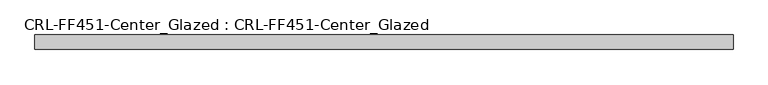
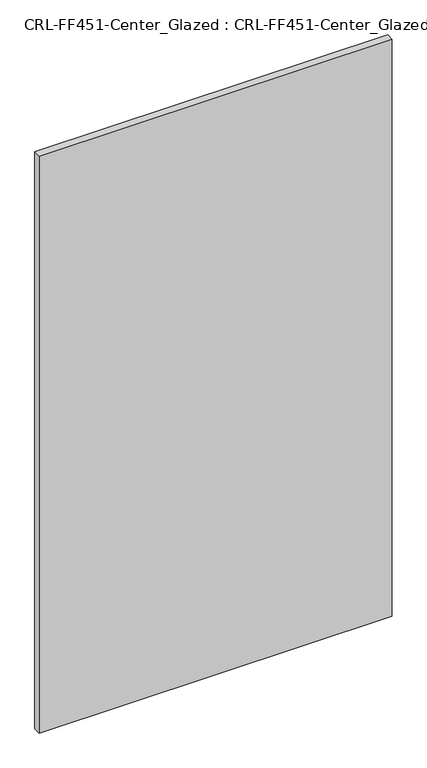
"""IFC4 building model written with IfcOpenShell, lengths in millimetres: plate geometry, CRL-FF451-Center_Glazed : CRL-FF451-Center_Glazed."""

from ifc_helpers import new_model, si_unit, origin, origin_with_axes, place, context, project, spatial, polyline, outline, extrude, source, transform, mapped, element, save


def crl_ff451_center_glazed_crl_ff451_center_glazed_84459304(model_context):
    return source(origin(), model_context, "Body", "SweptSolid", [
        extrude(outline(polyline([(-612.2702761, -12.709956), (-612.2702761, 12.709956), (612.2702761, 12.709956), (612.2702761, -12.709956), (-612.2702761, -12.709956)])), origin_with_axes(), (0.0, 0.0, 1.0), 2115.3459841),
    ])


if __name__ == "__main__":
    model = new_model("IFC4")
    model_context = context("Model", 3, world=origin())
    ifc_project = project(units=[si_unit("LENGTHUNIT", "METRE", prefix="MILLI")], contexts=[model_context])
    site = spatial("IfcSite", under=ifc_project)
    building = spatial("IfcBuilding", under=site)
    placement = place(None, origin())
    crl_ff451_center_glazed_crl_ff451_center_glazed_shape = crl_ff451_center_glazed_crl_ff451_center_glazed_84459304(model_context)
    element("IfcPlate", 1, ObjectType="CRL-FF451-Center_Glazed : CRL-FF451-Center_Glazed", at=placement, inside=building, context=model_context, shape_type="MappedRepresentation", body=[
        mapped(crl_ff451_center_glazed_crl_ff451_center_glazed_shape, transform((0.0, 0.0, 0.0), x_axis=(1.0, 0.0, 0.0), y_axis=(0.0, 1.0, 0.0), z_axis=(0.0, 0.0, 1.0))),
    ])
    save(model, "model.ifc")
